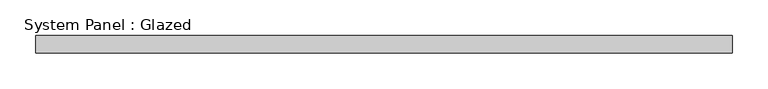
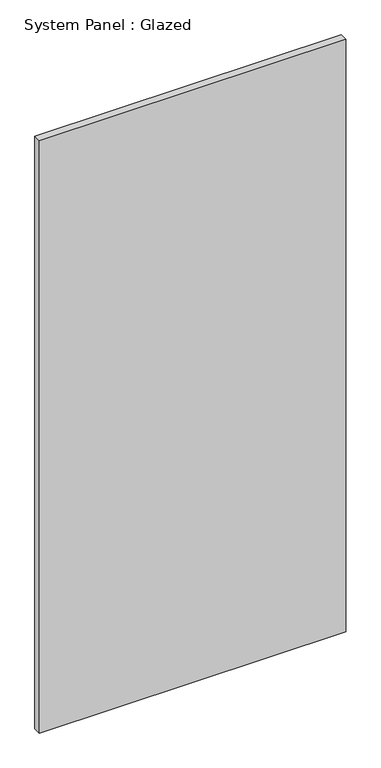
"""IFC4 building model written with IfcOpenShell, lengths in millimetres: plate geometry, System Panel : Glazed."""

from ifc_helpers import new_model, si_unit, origin, origin_with_axes, place, context, project, spatial, polyline, outline, extrude, source, transform, mapped, element, save


def system_panel_glazed_6e2a10de(model_context):
    return source(origin(), model_context, "Body", "SweptSolid", [
        extrude(outline(polyline([(489.2809974, 24.5), (-489.2809974, 24.5), (-489.2809974, 49.5), (489.2809974, 49.5), (489.2809974, 24.5)])), origin_with_axes(), (0.0, 0.0, 1.0), 2000.0),
    ])


if __name__ == "__main__":
    model = new_model("IFC4")
    model_context = context("Model", 3, world=origin())
    ifc_project = project(units=[si_unit("LENGTHUNIT", "METRE", prefix="MILLI")], contexts=[model_context])
    site = spatial("IfcSite", under=ifc_project)
    building = spatial("IfcBuilding", under=site)
    placement = place(None, origin())
    system_panel_glazed_shape = system_panel_glazed_6e2a10de(model_context)
    element("IfcPlate", 1, ObjectType="System Panel : Glazed", at=placement, inside=building, context=model_context, shape_type="MappedRepresentation", body=[
        mapped(system_panel_glazed_shape, transform((0.0, 0.0, 0.0), x_axis=(1.0, 0.0, 0.0), y_axis=(0.0, 1.0, 0.0), z_axis=(0.0, 0.0, 1.0))),
    ])
    save(model, "model.ifc")
